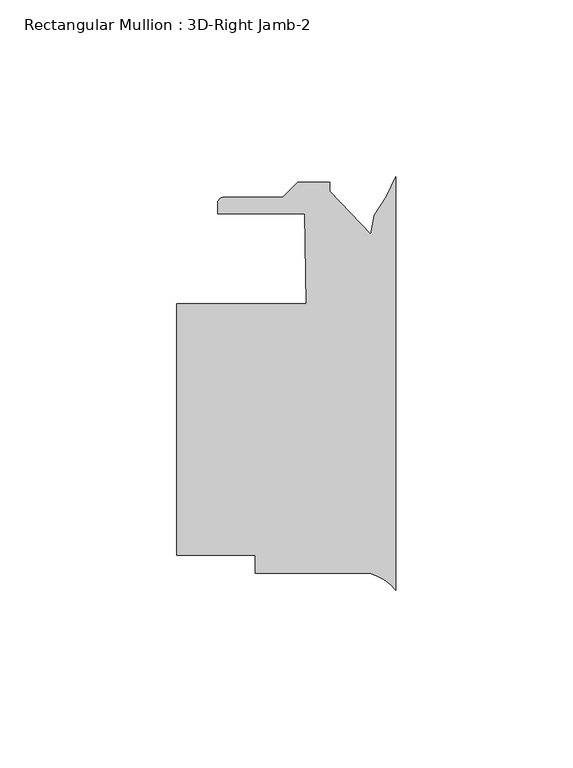
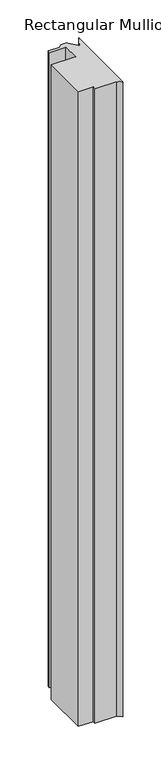
"""IFC4 building model written with IfcOpenShell, lengths in millimetres: member geometry, Rectangular Mullion : 3D-Right Jamb-2."""

from ifc_helpers import new_model, si_unit, point, frame, frame_2d, origin, place, context, project, spatial, polyline, circle_curve, trimmed, segment, composite_curve, outline, extrude, source, transform, mapped, element, save


def rectangular_mullion_3d_right_jamb_2_a7c4517f(model_context):
    return source(origin(), model_context, "Body", "SweptSolid", [
        extrude(outline(composite_curve([segment(polyline([(0.0, 50.172664), (0.0, -66.7561009)]), True, "CONTINUOUS"), segment(trimmed(circle_curve(frame_2d((-10.8196816, -75.1483498)), 13.6928942), [point((0.0, -66.7561009))], [point((-7.2925126, -61.9175361))], True, "CARTESIAN"), True, "CONTINUOUS"), segment(polyline([(-7.2925126, -61.9175361), (-39.6875, -61.9175361), (-39.6875, -56.8375361), (-61.9124999, -56.8375361), (-61.9124999, 14.2824639), (-25.3026718, 14.2824639), (-25.7460305, 39.6824637), (-50.4261495, 39.6824637), (-50.4261495, 42.6034639)]), True, "CONTINUOUS"), segment(trimmed(circle_curve(frame_2d((-48.6481495, 42.6034639)), 1.778), [point((-50.4261495, 42.6034639))], [point((-48.6481495, 44.3814639))], False, "CARTESIAN"), True, "CONTINUOUS"), segment(polyline([(-48.6481495, 44.3814639), (-32.0436417, 44.3814639), (-27.7764417, 48.6486639), (-18.6761495, 48.6486639), (-18.6761495, 46.1086639), (-7.0515961, 33.9028827), (-6.0929444, 39.3396665)]), True, "CONTINUOUS"), segment(trimmed(circle_curve(frame_2d((-51.6557302, 72.0961057)), 56.1155216), [point((-6.0929444, 39.3396665))], [point((0.0, 50.172664))], True, "CARTESIAN"), True, "CONTINUOUS")], self_intersect=False)), frame((0.0, 0.0, -1022.35), z_axis=(0.0, 0.0, 1.0), x_axis=(1.0, 0.0, 0.0)), (0.0, 0.0, 1.0), 1022.35),
    ])


if __name__ == "__main__":
    model = new_model("IFC4")
    model_context = context("Model", 3, world=origin())
    ifc_project = project(units=[si_unit("LENGTHUNIT", "METRE", prefix="MILLI")], contexts=[model_context])
    site = spatial("IfcSite", under=ifc_project)
    building = spatial("IfcBuilding", under=site)
    placement = place(None, origin())
    rectangular_mullion_3d_right_jamb_2_shape = rectangular_mullion_3d_right_jamb_2_a7c4517f(model_context)
    element("IfcMember", 1, ObjectType="Rectangular Mullion : 3D-Right Jamb-2", at=placement, inside=building, context=model_context, shape_type="MappedRepresentation", body=[
        mapped(rectangular_mullion_3d_right_jamb_2_shape, transform((0.0, 0.0, 0.0), x_axis=(1.0, 0.0, 0.0), y_axis=(0.0, 1.0, 0.0), z_axis=(0.0, 0.0, 1.0))),
    ])
    save(model, "model.ifc")
